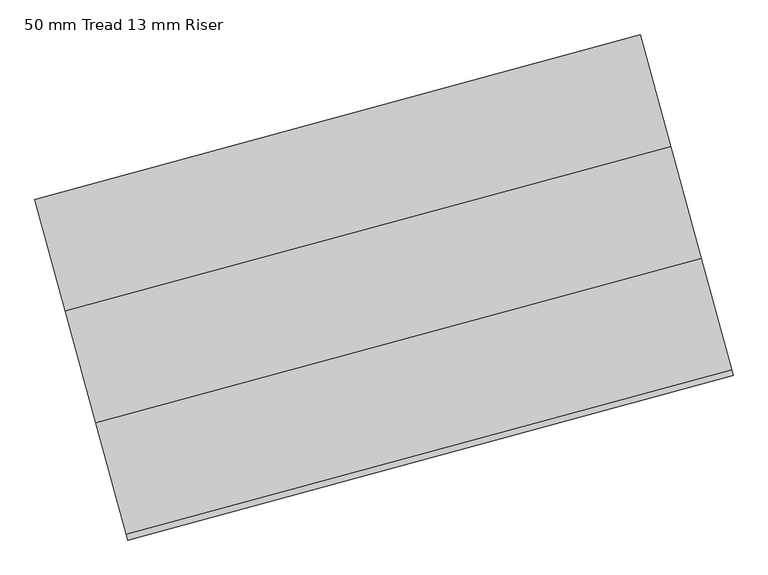
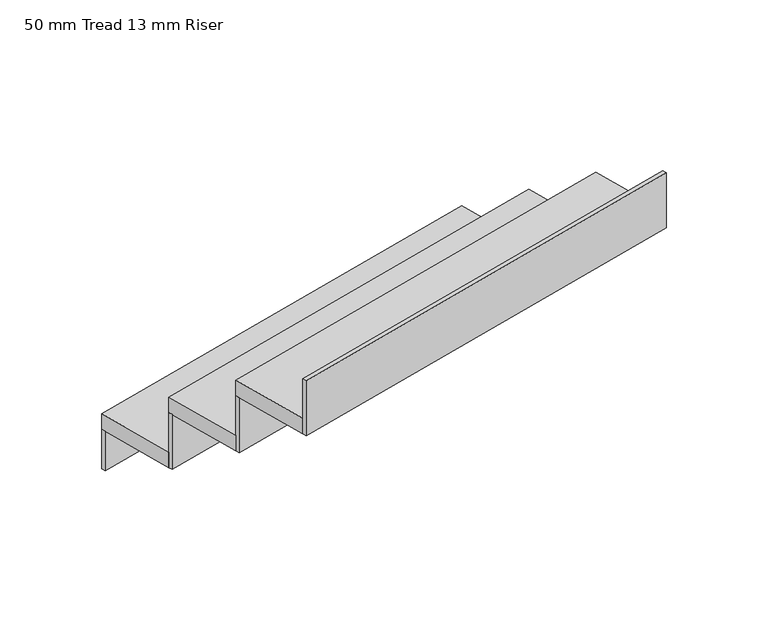
"""IFC4 building model written with IfcOpenShell, lengths in millimetres: stair flight geometry, 50 mm Tread 13 mm Riser."""

from ifc_helpers import new_model, si_unit, frame, origin, origin_with_axes, place, context, project, spatial, polyline, outline, extrude, source, transform, mapped, element, save


def stair_flight_50_mm_tread_13_mm_riser_66925674(model_context):
    return source(origin(), model_context, "Body", "SweptSolid", [
        extrude(outline(polyline([(227549.2913935, 47624.590906), (227546.0127831, 47636.6532736), (228852.4571735, 47991.751242), (228855.735784, 47979.6888743), (227549.2913935, 47624.590906)])), origin_with_axes(), (0.0, 0.0, 1.0), 127.7777778),
        extrude(outline(polyline([(228918.0293828, 47750.5038889), (227611.5849923, 47395.4059205), (227546.0127831, 47636.6532736), (228852.4571735, 47991.751242), (228918.0293828, 47750.5038889)])), frame((0.0, 0.0, 127.7777778), z_axis=(0.0, 0.0, 1.0), x_axis=(1.0, 0.0, 0.0)), (0.0, 0.0, 1.0), 50.0),
        extrude(outline(polyline([(227614.8636028, 47383.3435529), (227611.5849923, 47395.4059205), (228918.0293828, 47750.5038889), (228921.3079933, 47738.4415212), (227614.8636028, 47383.3435529)])), frame((0.0, 0.0, 127.7777778), z_axis=(0.0, 0.0, 1.0), x_axis=(1.0, 0.0, 0.0)), (0.0, 0.0, 1.0), 177.7777778),
        extrude(outline(polyline([(228983.601592, 47509.2565358), (227677.1572016, 47154.1585674), (227611.5849923, 47395.4059205), (228918.0293828, 47750.5038889), (228983.601592, 47509.2565358)])), frame((0.0, 0.0, 305.5555556), z_axis=(0.0, 0.0, 1.0), x_axis=(1.0, 0.0, 0.0)), (0.0, 0.0, 1.0), 50.0),
        extrude(outline(polyline([(227680.435812, 47142.0961998), (227677.1572016, 47154.1585674), (228983.601592, 47509.2565358), (228986.8802025, 47497.1941681), (227680.435812, 47142.0961998)])), frame((0.0, 0.0, 305.5555556), z_axis=(0.0, 0.0, 1.0), x_axis=(1.0, 0.0, 0.0)), (0.0, 0.0, 1.0), 177.7777778),
        extrude(outline(polyline([(227746.0080213, 46900.8488467), (227742.7294108, 46912.9112143), (229049.1738013, 47268.0091827), (229052.4524118, 47255.9468151), (227746.0080213, 46900.8488467)])), frame((0.0, 0.0, 483.3333333), z_axis=(0.0, 0.0, 1.0), x_axis=(1.0, 0.0, 0.0)), (0.0, 0.0, 1.0), 177.7777778),
        extrude(outline(polyline([(229049.1738013, 47268.0091827), (227742.7294108, 46912.9112143), (227677.1572016, 47154.1585674), (228983.601592, 47509.2565358), (229049.1738013, 47268.0091827)])), frame((0.0, 0.0, 483.3333333), z_axis=(0.0, 0.0, 1.0), x_axis=(1.0, 0.0, 0.0)), (0.0, 0.0, 1.0), 50.0),
    ])


if __name__ == "__main__":
    model = new_model("IFC4")
    model_context = context("Model", 3, world=origin())
    ifc_project = project(units=[si_unit("LENGTHUNIT", "METRE", prefix="MILLI")], contexts=[model_context])
    site = spatial("IfcSite", under=ifc_project)
    building = spatial("IfcBuilding", under=site)
    placement = place(None, origin())
    stair_flight_50_mm_tread_13_mm_riser_shape = stair_flight_50_mm_tread_13_mm_riser_66925674(model_context)
    element("IfcStairFlight", 1, ObjectType="50 mm Tread 13 mm Riser", at=placement, inside=building, context=model_context, shape_type="MappedRepresentation", body=[
        mapped(stair_flight_50_mm_tread_13_mm_riser_shape, transform((0.0, 0.0, 0.0), x_axis=(1.0, 0.0, 0.0), y_axis=(0.0, 1.0, 0.0), z_axis=(0.0, 0.0, 1.0))),
    ])
    save(model, "model.ifc")
